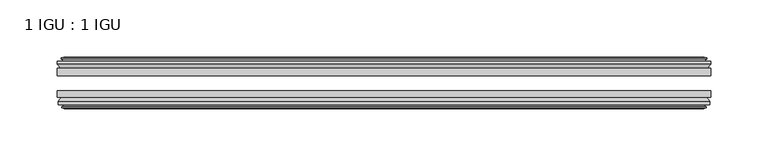
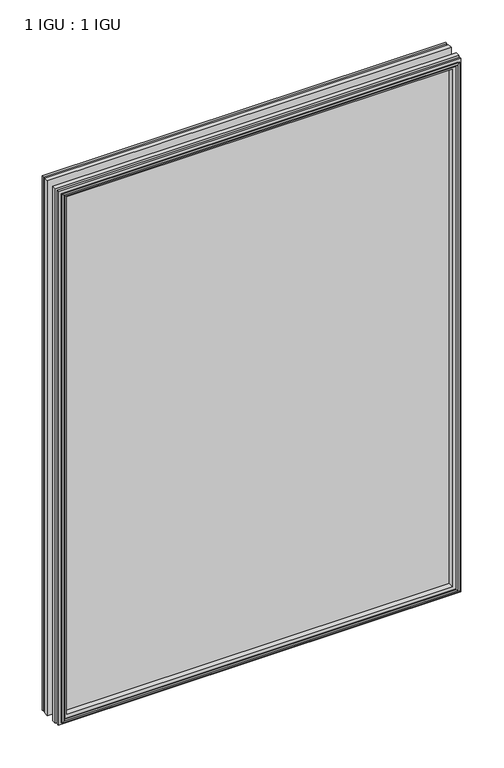
"""IFC4 building model written with IfcOpenShell, lengths in millimetres: plate geometry, 1 IGU : 1 IGU."""

from ifc_helpers import new_model, si_unit, frame, origin, place, context, project, spatial, polyline, outline, extrude, faceted_brep, source, transform, mapped, element, save


def plate_1_igu_1_igu_e66c50e5(model_context):
    return source(origin(), model_context, "Body", "SolidModel", [
        extrude(outline(polyline([(285.75, -25.8960937), (285.75, -32.2460938), (-285.75, -32.2460938), (-285.75, -25.8960937), (285.75, -25.8960937)])), frame((0.0, 0.0, -12.7), z_axis=(0.0, 0.0, 1.0), x_axis=(1.0, 0.0, 0.0)), (0.0, 0.0, 1.0), 800.1),
        extrude(outline(polyline([(-285.75, -51.2960938), (-285.75, -45.2686737), (285.75, -45.2686737), (285.75, -51.2960938), (-285.75, -51.2960938)])), frame((0.0, 0.0, -12.7), z_axis=(0.0, 0.0, 1.0), x_axis=(1.0, 0.0, 0.0)), (0.0, 0.0, 1.0), 800.1),
        faceted_brep([(-280.162, -60.0262907, 781.812), (-280.543, -57.6460937, 782.193), (-280.543, -57.6460937, -7.493), (-280.162, -60.0262907, -7.112), (-281.5775291, -59.5663575, 783.2275291), (-281.5775291, -59.5663575, -8.5275291), (-281.5775291, -60.3675717, 783.2275291), (-281.5775291, -60.3675717, -8.5275291), (-279.4, -61.0750937, 781.05), (-279.4, -61.0750937, -6.35), (-277.2224709, -60.3675717, 778.872471), (-277.2224709, -60.3675717, -4.1724709), (-277.2224709, -59.5663575, 778.872471), (-277.2224709, -59.5663575, -4.1724709), (-278.638, -60.0262907, 780.288), (-278.638, -60.0262907, -5.588), (-278.257, -57.6460937, 779.907), (-278.257, -57.6460937, -5.207), (-271.3322819, -51.2960937, 772.9822819), (-273.05, -57.6460937, 774.7), (-273.05, -57.6460937, 0.0), (-271.3322819, -51.2960937, 1.7177181), (-284.988, -54.6996937, 786.638), (-282.1536578, -51.2960937, 783.8036578), (-282.1536578, -51.2960937, -9.1036578), (-284.988, -54.6996937, -11.938), (-284.988, -57.6460937, 786.638), (-284.988, -57.6460937, -11.938), (280.543, -57.6460938, -7.493), (280.162, -60.0262907, -7.112), (281.5775291, -59.5663575, -8.5275291), (281.5775291, -60.3675717, -8.5275291), (279.4, -61.0750937, -6.35), (277.2224709, -60.3675717, -4.1724709), (277.2224709, -59.5663575, -4.1724709), (278.638, -60.0262907, -5.588), (278.257, -57.6460937, -5.207), (273.05, -57.6460937, 0.0), (271.3322819, -51.2960937, 1.7177181), (282.1536578, -51.2960937, -9.1036578), (284.988, -54.6996937, -11.938), (284.988, -57.6460938, -11.938), (280.543, -57.6460938, 782.193), (280.162, -60.0262907, 781.812), (281.5775291, -59.5663575, 783.2275291), (281.5775291, -60.3675717, 783.2275291), (279.4, -61.0750937, 781.05), (277.2224709, -60.3675717, 778.872471), (277.2224709, -59.5663575, 778.872471), (278.638, -60.0262907, 780.288), (278.257, -57.6460937, 779.907), (273.05, -57.6460937, 774.7), (271.3322819, -51.2960937, 772.9822819), (282.1536578, -51.2960937, 783.8036578), (284.988, -54.6996937, 786.638), (284.988, -57.6460938, 786.638)], [[[0, 1, 2, 3]], [[4, 0, 3, 5]], [[6, 4, 5, 7]], [[8, 6, 7, 9]], [[10, 8, 9, 11]], [[12, 10, 11, 13]], [[14, 12, 13, 15]], [[16, 14, 15, 17]], [[18, 19, 20, 21]], [[22, 23, 24, 25]], [[26, 22, 25, 27]], [[3, 2, 28, 29]], [[5, 3, 29, 30]], [[7, 5, 30, 31]], [[9, 7, 31, 32]], [[11, 9, 32, 33]], [[13, 11, 33, 34]], [[15, 13, 34, 35]], [[17, 15, 35, 36]], [[21, 20, 37, 38]], [[25, 24, 39, 40]], [[27, 25, 40, 41]], [[29, 28, 42, 43]], [[30, 29, 43, 44]], [[31, 30, 44, 45]], [[32, 31, 45, 46]], [[33, 32, 46, 47]], [[34, 33, 47, 48]], [[35, 34, 48, 49]], [[36, 35, 49, 50]], [[38, 37, 51, 52]], [[40, 39, 53, 54]], [[41, 40, 54, 55]], [[27, 41, 55, 26], [1, 42, 28, 2]], [[43, 42, 1, 0]], [[44, 43, 0, 4]], [[45, 44, 4, 6]], [[46, 45, 6, 8]], [[47, 46, 8, 10]], [[48, 47, 10, 12]], [[49, 48, 12, 14]], [[50, 49, 14, 16]], [[17, 36, 50, 16], [19, 51, 37, 20]], [[52, 51, 19, 18]], [[23, 53, 39, 24], [21, 38, 52, 18]], [[54, 53, 23, 22]], [[55, 54, 22, 26]]]),
        faceted_brep([(-282.6743578, -25.8960937, 784.3243578), (-285.5087, -22.4924937, 787.1587), (-285.5087, -22.4924937, -12.4587), (-282.6743578, -25.8960937, -9.6243578), (-273.5707, -19.5460937, 775.2207), (-271.8529819, -25.8960937, 773.5029819), (-271.8529819, -25.8960937, 1.1970181), (-273.5707, -19.5460937, -0.5207), (-279.1587, -17.1658968, 780.8087), (-278.7777, -19.5460937, 780.4277), (-278.7777, -19.5460937, -5.7277), (-279.1587, -17.1658968, -6.1087), (-277.7431709, -17.62583, 779.393171), (-277.7431709, -17.62583, -4.6931709), (-277.7431709, -16.8246158, 779.393171), (-277.7431709, -16.8246158, -4.6931709), (-279.9207, -16.1170937, 781.5707), (-279.9207, -16.1170937, -6.8707), (-282.0982291, -16.8246158, 783.7482291), (-282.0982291, -16.8246158, -9.0482291), (-282.0982291, -17.62583, 783.7482291), (-282.0982291, -17.62583, -9.0482291), (-280.6827, -17.1658968, 782.3327), (-280.6827, -17.1658968, -7.6327), (-281.0637, -19.5460937, 782.7137), (-281.0637, -19.5460937, -8.0137), (-285.5087, -19.5460937, 787.1587), (-285.5087, -19.5460937, -12.4587), (285.5087, -22.4924937, -12.4587), (282.6743578, -25.8960937, -9.6243578), (271.8529819, -25.8960937, 1.1970181), (273.5707, -19.5460937, -0.5207), (278.7777, -19.5460937, -5.7277), (279.1587, -17.1658968, -6.1087), (277.7431709, -17.62583, -4.6931709), (277.7431709, -16.8246158, -4.6931709), (279.9207, -16.1170937, -6.8707), (282.0982291, -16.8246158, -9.0482291), (282.0982291, -17.62583, -9.0482291), (280.6827, -17.1658968, -7.6327), (281.0637, -19.5460937, -8.0137), (285.5087, -19.5460937, -12.4587), (285.5087, -22.4924937, 787.1587), (282.6743578, -25.8960937, 784.3243578), (271.8529819, -25.8960937, 773.5029819), (273.5707, -19.5460937, 775.2207), (278.7777, -19.5460937, 780.4277), (279.1587, -17.1658968, 780.8087), (277.7431709, -17.62583, 779.393171), (277.7431709, -16.8246158, 779.393171), (279.9207, -16.1170937, 781.5707), (282.0982291, -16.8246158, 783.7482291), (282.0982291, -17.62583, 783.7482291), (280.6827, -17.1658968, 782.3327), (281.0637, -19.5460937, 782.7137), (285.5087, -19.5460937, 787.1587)], [[[0, 1, 2, 3]], [[4, 5, 6, 7]], [[8, 9, 10, 11]], [[12, 8, 11, 13]], [[14, 12, 13, 15]], [[16, 14, 15, 17]], [[18, 16, 17, 19]], [[20, 18, 19, 21]], [[22, 20, 21, 23]], [[24, 22, 23, 25]], [[1, 26, 27, 2]], [[3, 2, 28, 29]], [[7, 6, 30, 31]], [[11, 10, 32, 33]], [[13, 11, 33, 34]], [[15, 13, 34, 35]], [[17, 15, 35, 36]], [[19, 17, 36, 37]], [[21, 19, 37, 38]], [[23, 21, 38, 39]], [[25, 23, 39, 40]], [[2, 27, 41, 28]], [[29, 28, 42, 43]], [[31, 30, 44, 45]], [[33, 32, 46, 47]], [[34, 33, 47, 48]], [[35, 34, 48, 49]], [[36, 35, 49, 50]], [[37, 36, 50, 51]], [[38, 37, 51, 52]], [[39, 38, 52, 53]], [[40, 39, 53, 54]], [[28, 41, 55, 42]], [[43, 42, 1, 0]], [[3, 29, 43, 0], [5, 44, 30, 6]], [[45, 44, 5, 4]], [[9, 46, 32, 10], [7, 31, 45, 4]], [[47, 46, 9, 8]], [[48, 47, 8, 12]], [[49, 48, 12, 14]], [[50, 49, 14, 16]], [[51, 50, 16, 18]], [[52, 51, 18, 20]], [[53, 52, 20, 22]], [[54, 53, 22, 24]], [[26, 55, 41, 27], [25, 40, 54, 24]], [[42, 55, 26, 1]]]),
    ])


if __name__ == "__main__":
    model = new_model("IFC4")
    model_context = context("Model", 3, world=origin())
    ifc_project = project(units=[si_unit("LENGTHUNIT", "METRE", prefix="MILLI")], contexts=[model_context])
    site = spatial("IfcSite", under=ifc_project)
    building = spatial("IfcBuilding", under=site)
    placement = place(None, origin())
    plate_1_igu_1_igu_shape = plate_1_igu_1_igu_e66c50e5(model_context)
    element("IfcPlate", 1, ObjectType="1 IGU : 1 IGU", at=placement, inside=building, context=model_context, shape_type="MappedRepresentation", body=[
        mapped(plate_1_igu_1_igu_shape, transform((0.0, 0.0, 0.0), x_axis=(1.0, 0.0, 0.0), y_axis=(0.0, 1.0, 0.0), z_axis=(0.0, 0.0, 1.0))),
    ])
    save(model, "model.ifc")
